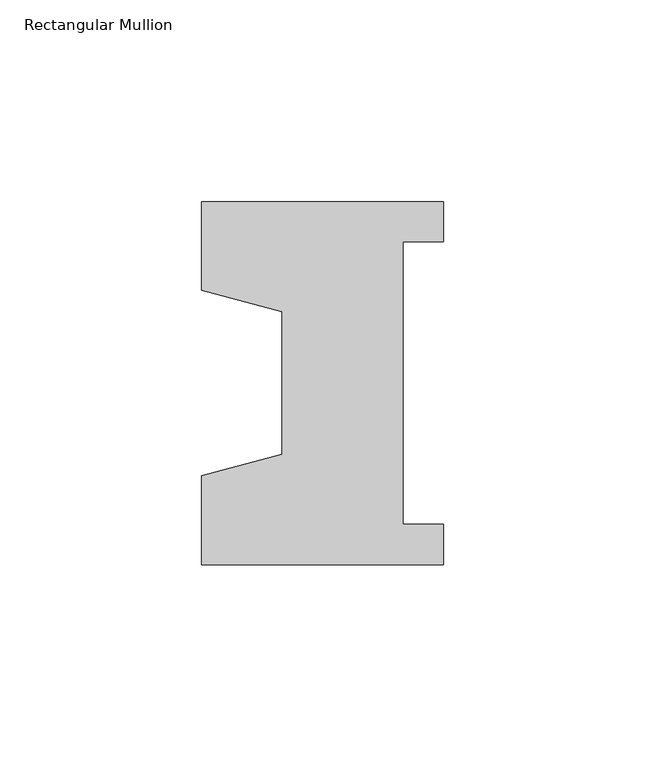
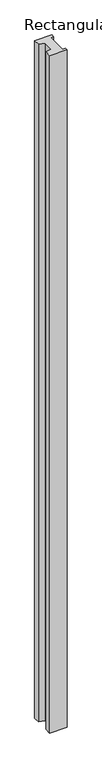
"""IFC4 building model written with IfcOpenShell, lengths in millimetres: member geometry, Rectangular Mullion."""

from ifc_helpers import new_model, si_unit, frame, origin, place, context, project, spatial, polyline, outline, extrude, source, transform, mapped, element, save


def rectangular_mullion_c98a6532(model_context):
    return source(origin(), model_context, "Body", "SweptSolid", [
        extrude(outline(polyline([(-60.0, 45.0), (0.0, 45.0), (0.0, 35.0), (-10.0, 35.0), (-10.0, -35.0), (0.0, -35.0), (0.0, -45.0), (-60.0, -45.0), (-60.0, -22.9993165), (-40.0, -17.6401049), (-40.0, 17.6401049), (-60.0, 22.9993165), (-60.0, 45.0)])), frame((0.0, 0.0, -2473.0), z_axis=(0.0, 0.0, 1.0), x_axis=(1.0, 0.0, 0.0)), (0.0, 0.0, 1.0), 2473.0),
    ])


if __name__ == "__main__":
    model = new_model("IFC4")
    model_context = context("Model", 3, world=origin())
    ifc_project = project(units=[si_unit("LENGTHUNIT", "METRE", prefix="MILLI")], contexts=[model_context])
    site = spatial("IfcSite", under=ifc_project)
    building = spatial("IfcBuilding", under=site)
    placement = place(None, origin())
    rectangular_mullion_shape = rectangular_mullion_c98a6532(model_context)
    element("IfcMember", 1, ObjectType="Rectangular Mullion", at=placement, inside=building, context=model_context, shape_type="MappedRepresentation", body=[
        mapped(rectangular_mullion_shape, transform((0.0, 0.0, 0.0), x_axis=(1.0, 0.0, 0.0), y_axis=(0.0, 1.0, 0.0), z_axis=(0.0, 0.0, 1.0))),
    ])
    save(model, "model.ifc")
